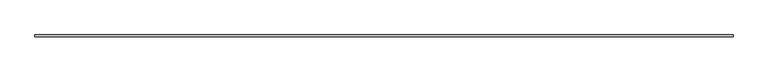
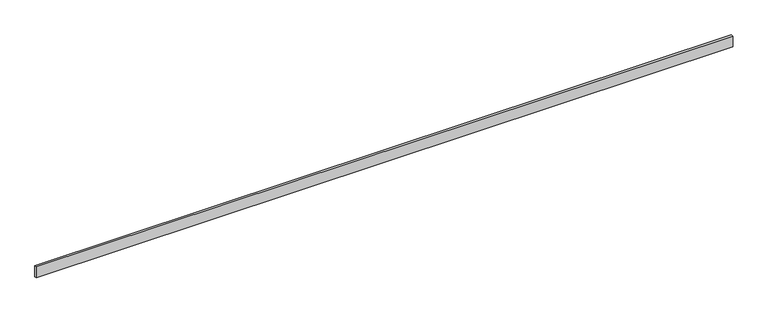
"""IFC4 building model written with IfcOpenShell, lengths in millimetres: beam geometry."""

from ifc_helpers import new_model, si_unit, frame, origin, place, context, project, spatial, polyline, outline, extrude, source, transform, mapped, element, save


def beam_59834557(model_context):
    return source(origin(), model_context, "Body", "SweptSolid", [
        extrude(outline(polyline([(6050.0, -18.0), (-6050.0, -18.0), (-6050.0, 18.0), (6050.0, 18.0), (6050.0, -18.0)])), frame((0.0, 0.0, -100.0), z_axis=(0.0, 0.0, 1.0), x_axis=(1.0, 0.0, 0.0)), (0.0, 0.0, 1.0), 200.0),
    ])


if __name__ == "__main__":
    model = new_model("IFC4")
    model_context = context("Model", 3, world=origin())
    ifc_project = project(units=[si_unit("LENGTHUNIT", "METRE", prefix="MILLI")], contexts=[model_context])
    site = spatial("IfcSite", under=ifc_project)
    building = spatial("IfcBuilding", under=site)
    placement = place(None, origin())
    beam_shape = beam_59834557(model_context)
    element("IfcBeam", 1, at=placement, inside=building, context=model_context, shape_type="MappedRepresentation", body=[
        mapped(beam_shape, transform((0.0, 0.0, 0.0), x_axis=(1.0, 0.0, 0.0), y_axis=(0.0, 1.0, 0.0), z_axis=(0.0, 0.0, 1.0))),
    ])
    save(model, "model.ifc")
